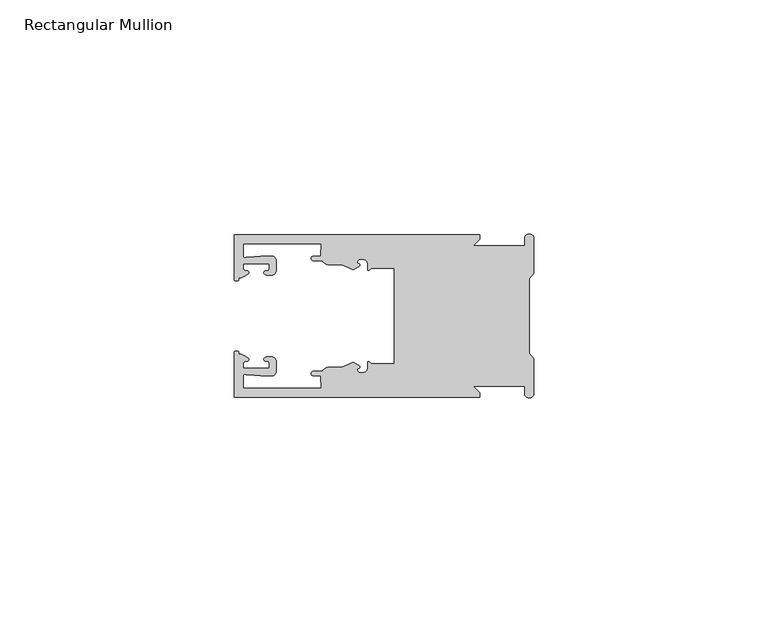
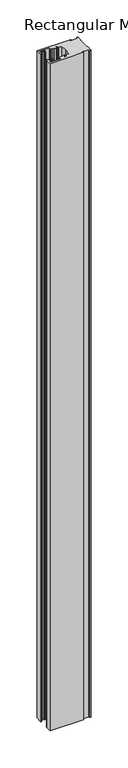
"""IFC4 building model written with IfcOpenShell, lengths in millimetres: member geometry, Rectangular Mullion."""

from ifc_helpers import new_model, si_unit, frame, origin, place, context, project, spatial, polyline, circle_curve, source, transform, mapped, element, save
from ifc_brep_helpers import plane_surface, cylinder_surface, revolved_surface, extruded_surface, spline_curve, advanced_brep


def rectangular_mullion_62764aca(model_context):
    return source(origin(), model_context, "Body", "AdvancedBrep", [
        advanced_brep(
        [(-11.5387897, 17.4000478, 0.0), (-64.0387868, 17.4000478, 0.0), (-64.0387868, 7.8350057, 0.0), (-63.2884687, 7.5412947, 0.0), (-62.4614154, 8.1921895, 0.0), (-62.0410649, 9.9426451, 0.0), (-62.0424168, 11.1926444, 0.0), (-56.54242, 11.1985924, 0.0), (-56.5410682, 9.9485931, 0.0), (-57.1085345, 8.7314723, 0.0), (-56.0397166, 8.6991345, 0.0), (-55.0407987, 9.7002154, 0.0), (-55.0430697, 11.8002142, 0.0), (-56.0446364, 12.7991315, 0.0), (-58.3650753, 12.7954945, 0.0), (-61.1340054, 12.5502269, 0.0), (-62.044093, 12.7426435, 0.0), (-62.0469668, 15.4000478, 0.0), (-45.4240312, 15.4000478, 0.0), (-45.5732135, 12.8000478, 0.0), (-47.0387868, 12.8000478, 0.0), (-47.0387868, 11.8000478, 0.0), (-45.2543363, 11.8000478, 0.0), (-43.6387868, 10.9000478, 0.0), (-41.0454034, 10.9000478, 0.0), (-38.5697136, 9.8718293, 0.0), (-37.5387868, 10.4670351, 0.0), (-37.6803436, 11.4201497, 0.0), (-37.0270763, 12.1583697, 0.0), (-36.2010815, 12.0127245, 0.0), (-35.54, 11.2248783, 0.0), (-35.54, 10.0, 0.0), (-34.7705791, 10.25, 0.0), (-29.79, 10.25, 0.0), (-29.79, 0.0, 0.0), (-29.79, -10.25, 0.0), (-34.7705791, -10.25, 0.0), (-35.54, -10.0, 0.0), (-35.54, -11.2248783, 0.0), (-36.2010815, -12.0127245, 0.0), (-37.0270763, -12.1583697, 0.0), (-37.6803436, -11.4201497, 0.0), (-37.5387868, -10.4670351, 0.0), (-38.5697136, -9.8718293, 0.0), (-41.0454034, -10.9000478, 0.0), (-43.6387868, -10.9000478, 0.0), (-45.2543363, -11.8000478, 0.0), (-47.0387868, -11.8000478, 0.0), (-47.0387868, -12.8000478, 0.0), (-45.5732135, -12.8000478, 0.0), (-45.4240312, -15.4000478, 0.0), (-62.0469668, -15.4000478, 0.0), (-62.044093, -12.7426435, 0.0), (-61.1340054, -12.5502269, 0.0), (-58.3650753, -12.7954945, 0.0), (-56.0446364, -12.7991314, 0.0), (-55.0430697, -11.8002142, 0.0), (-55.0407987, -9.7002154, 0.0), (-56.0397166, -8.6991345, 0.0), (-57.1085345, -8.7314723, 0.0), (-56.5410682, -9.9485931, 0.0), (-56.54242, -11.1985924, 0.0), (-62.0424168, -11.1926444, 0.0), (-62.0410649, -9.9426451, 0.0), (-62.4614154, -8.1921895, 0.0), (-63.2884687, -7.5412947, 0.0), (-64.0387868, -7.8350057, 0.0), (-64.0387868, -17.4000478, 0.0), (-11.5387897, -17.4000478, 0.0), (-11.5387897, -16.4000449, 0.0), (-12.9388346, -15.0, 0.0), (-2.0, -15.0, 0.0), (-2.0, -16.5, 0.0), (0.0, -16.5, 0.0), (0.0, -9.1160254, 0.0), (-1.0, -7.9613249, 0.0), (-1.0, 0.0, 0.0), (-1.0, 7.9613249, 0.0), (0.0, 9.1160254, 0.0), (0.0, 16.5, 0.0), (-2.0, 16.5, 0.0), (-2.0, 15.0, 0.0), (-12.9388346, 15.0, 0.0), (-11.5387897, 16.4000449, 0.0), (-11.5387897, 17.4000478, -1096.6800002), (-11.5387897, 16.4000449, -1096.6800002), (-12.9388346, 15.0, -1096.6800002), (-2.0, 15.0, -1096.6800002), (-2.0, 16.5, -1096.6800002), (0.0, 16.5, -1096.6800002), (0.0, 9.1160254, -1096.6800002), (-1.0, 7.9613249, -1096.6800002), (-1.0, 0.0, -1096.6800002), (-1.0, -7.9613249, -1096.6800002), (0.0, -9.1160254, -1096.6800002), (0.0, -16.5, -1096.6800002), (-2.0, -16.5, -1096.6800002), (-2.0, -15.0, -1096.6800002), (-12.9388346, -15.0, -1096.6800002), (-11.5387897, -16.4000449, -1096.6800002), (-11.5387897, -17.4000478, -1096.6800002), (-64.0387868, -17.4000478, -1096.6800002), (-64.0387868, -7.8350057, -1096.6800002), (-63.2884687, -7.5412947, -1096.6800002), (-62.4614154, -8.1921895, -1096.6800002), (-62.0410649, -9.9426451, -1096.6800002), (-62.0424168, -11.1926444, -1096.6800002), (-56.54242, -11.1985924, -1096.6800002), (-56.5410682, -9.9485931, -1096.6800002), (-57.1085345, -8.7314723, -1096.6800002), (-56.0397166, -8.6991345, -1096.6800002), (-55.0407987, -9.7002154, -1096.6800002), (-55.0430697, -11.8002142, -1096.6800002), (-56.0446364, -12.7991315, -1096.6800002), (-58.3650753, -12.7954945, -1096.6800002), (-61.1340054, -12.5502269, -1096.6800002), (-62.044093, -12.7426435, -1096.6800002), (-62.0469668, -15.4000478, -1096.6800002), (-45.4240312, -15.4000478, -1096.6800002), (-45.5732135, -12.8000478, -1096.6800002), (-47.0387868, -12.8000478, -1096.6800002), (-47.0387868, -11.8000478, -1096.6800002), (-45.2543363, -11.8000478, -1096.6800002), (-43.6387868, -10.9000478, -1096.6800002), (-41.0454034, -10.9000478, -1096.6800002), (-38.5697136, -9.8718293, -1096.6800002), (-37.5387868, -10.4670351, -1096.6800002), (-37.6803436, -11.4201497, -1096.6800002), (-37.0270763, -12.1583697, -1096.6800002), (-36.2010815, -12.0127245, -1096.6800002), (-35.54, -11.2248783, -1096.6800002), (-35.54, -10.0, -1096.6800002), (-34.7705791, -10.25, -1096.6800002), (-29.79, -10.25, -1096.6800002), (-29.79, 0.0, -1096.6800002), (-29.79, 10.25, -1096.6800002), (-34.7705791, 10.25, -1096.6800002), (-35.54, 10.0, -1096.6800002), (-35.54, 11.2248783, -1096.6800002), (-36.2010815, 12.0127245, -1096.6800002), (-37.0270763, 12.1583697, -1096.6800002), (-37.6803436, 11.4201497, -1096.6800002), (-37.5387868, 10.4670351, -1096.6800002), (-38.5697136, 9.8718293, -1096.6800002), (-41.0454034, 10.9000478, -1096.6800002), (-43.6387868, 10.9000478, -1096.6800002), (-45.2543363, 11.8000478, -1096.6800002), (-47.0387868, 11.8000478, -1096.6800002), (-47.0387868, 12.8000478, -1096.6800002), (-45.5732135, 12.8000478, -1096.6800002), (-45.4240312, 15.4000478, -1096.6800002), (-62.0469668, 15.4000478, -1096.6800002), (-62.044093, 12.7426435, -1096.6800002), (-61.1340054, 12.5502269, -1096.6800002), (-58.3650753, 12.7954945, -1096.6800002), (-56.0446364, 12.7991314, -1096.6800002), (-55.0430697, 11.8002142, -1096.6800002), (-55.0407987, 9.7002154, -1096.6800002), (-56.0397166, 8.6991345, -1096.6800002), (-57.1085345, 8.7314723, -1096.6800002), (-56.5410682, 9.9485931, -1096.6800002), (-56.54242, 11.1985924, -1096.6800002), (-62.0424168, 11.1926444, -1096.6800002), (-62.0410649, 9.9426451, -1096.6800002), (-62.4614154, 8.1921895, -1096.6800002), (-63.2884687, 7.5412947, -1096.6800002), (-64.0387868, 7.8350057, -1096.6800002), (-64.0387868, 17.4000478, -1096.6800002)],
        [
            (0, 1),
            (1, 2),
            (2, 3, spline_curve(3, [(-64.0387868, 7.8350057, 0.0), (-64.038491377, 7.561831774, 0.0), (-63.788385325, 7.463928087, 0.0), (-63.2884687, 7.5412947, 0.0)], [4, 4], [0.0, 0.0019169337574178654])),
            (3, 4, spline_curve(3, [(-63.2884687, 7.5412947, 0.0), (-63.057760917, 7.582232011, 0.0), (-63.018445067, 7.725390894, 0.0), (-63.019925494, 8.056436881, 0.0), (-63.103444208, 8.236386866, 0.0), (-62.4614154, 8.1921895, 0.0)], [4, 2, 4], [0.0, 0.0010199524164107188, 0.0024874514725970356])),
            (4, 5, spline_curve(3, [(-62.4614154, 8.1921895, 0.0), (-60.988497673, 8.880962536, 0.0), (-60.794045122, 9.192776957, 0.0), (-60.949808078, 9.57023562, 0.0), (-61.145214014, 9.682771697, 0.0), (-61.665835706, 9.714019003, 0.0), (-61.965242574, 9.660891484, 0.0), (-62.0410649, 9.9426451, 0.0)], [4, 2, 2, 4], [0.0, 0.003269869179570428, 0.005490050486237203, 0.0073545767114364426])),
            (5, 6),
            (6, 7),
            (7, 8),
            (8, 9, spline_curve(3, [(-56.5410682, 9.9485931, 0.0), (-56.634838635, 9.597117104, 0.0), (-56.904956774, 9.698238818, 0.0), (-57.324171444, 9.731086209, 0.0), (-57.45969165, 9.646199885, 0.0), (-57.729003352, 9.346016011, 0.0), (-57.859492582, 9.113082158, 0.0), (-57.1085345, 8.7314723, 0.0)], [4, 2, 2, 4], [0.0, 0.001593963049934732, 0.0033360256320283306, 0.005339140673503943])),
            (9, 10),
            (10, 11, circle_curve(frame((-56.0407981, 9.699134, 0.0), z_axis=(0.0, 0.0, 1.0), x_axis=(0.0010814451158627505, -0.9999994152380598, 0.0)), 1.0)),
            (11, 12),
            (12, 13, circle_curve(frame((-56.0430691, 11.7991327, 0.0), z_axis=(0.0, 0.0, 1.0), x_axis=(0.0010814451158627505, -0.9999994152380598, 0.0)), 1.0)),
            (13, 14),
            (14, 15),
            (15, 16, spline_curve(3, [(-61.1340054, 12.5502269, 0.0), (-61.605485428, 12.508463911, 0.0), (-61.992111419, 12.303164326, 0.0), (-62.044093, 12.7426435, 0.0)], [4, 4], [0.0, 0.0014803385355886016])),
            (16, 17),
            (17, 18),
            (18, 19),
            (19, 20),
            (20, 21, circle_curve(frame((-47.0387868, 12.3000478, 0.0), z_axis=(0.0, 0.0, 1.0), x_axis=(0.0, -1.0, 0.0)), 0.5)),
            (21, 22),
            (22, 23, circle_curve(frame((-43.6387868, 12.8000478, 0.0), z_axis=(0.0, 0.0, 1.0), x_axis=(0.0, -1.0, 0.0)), 1.9)),
            (23, 24),
            (24, 25),
            (25, 26),
            (26, 27, spline_curve(3, [(-37.5387868, 10.4670351, 0.0), (-36.973919853, 10.833863985, 0.0), (-37.198159645, 11.135696286, 0.0), (-37.587892011, 11.260246073, 0.0), (-37.754584192, 11.180452419, 0.0), (-37.6803436, 11.4201497, 0.0)], [4, 2, 4], [0.0, 0.0019283703160353726, 0.003394584635652914])),
            (27, 28, circle_curve(frame((-37.0434863, 11.5147359, 0.0), z_axis=(0.0, 0.0, -1.0), x_axis=(0.0, -1.0, 0.0)), 0.643843)),
            (28, 29),
            (29, 30, circle_curve(frame((-36.34, 11.2248783, 0.0), z_axis=(0.0, 0.0, -1.0), x_axis=(0.0, -1.0, 0.0)), 0.8)),
            (30, 31),
            (31, 32, spline_curve(3, [(-35.54, 10.0, 0.0), (-35.440000238, 9.598293201, 0.0), (-35.183526594, 9.681626535, 0.0), (-34.7705791, 10.25, 0.0)], [4, 4], [0.0, 0.0027473296990141553])),
            (32, 33),
            (33, 34),
            (34, 35),
            (35, 36),
            (36, 37, spline_curve(3, [(-34.7705791, -10.25, 0.0), (-35.183526594, -9.681626535, 0.0), (-35.440000238, -9.598293201, 0.0), (-35.54, -10.0, 0.0)], [4, 4], [0.0, 0.0027473296990141553])),
            (37, 38),
            (38, 39, circle_curve(frame((-36.34, -11.2248783, 0.0), z_axis=(0.0, 0.0, -1.0), x_axis=(0.0, 1.0, 0.0)), 0.8)),
            (39, 40),
            (40, 41, circle_curve(frame((-37.0434863, -11.5147359, 0.0), z_axis=(0.0, 0.0, -1.0), x_axis=(0.0, 1.0, 0.0)), 0.643843)),
            (41, 42, spline_curve(3, [(-37.6803436, -11.4201497, 0.0), (-37.754584192, -11.180452419, 0.0), (-37.587892011, -11.260246073, 0.0), (-37.198159645, -11.135696286, 0.0), (-36.973919853, -10.833863985, 0.0), (-37.5387868, -10.4670351, 0.0)], [4, 2, 4], [0.0, 0.0014662143196175414, 0.003394584635652914])),
            (42, 43),
            (43, 44),
            (44, 45),
            (45, 46, circle_curve(frame((-43.6387868, -12.8000478, 0.0), z_axis=(0.0, 0.0, 1.0), x_axis=(0.0, 1.0, 0.0)), 1.9)),
            (46, 47),
            (47, 48, circle_curve(frame((-47.0387868, -12.3000478, 0.0), z_axis=(0.0, 0.0, 1.0), x_axis=(0.0, 1.0, 0.0)), 0.5)),
            (48, 49),
            (49, 50),
            (50, 51),
            (51, 52),
            (52, 53, spline_curve(3, [(-62.044093, -12.7426435, 0.0), (-61.992111419, -12.303164326, 0.0), (-61.605485428, -12.508463911, 0.0), (-61.1340054, -12.5502269, 0.0)], [4, 4], [0.0, 0.0014803385355886016])),
            (53, 54),
            (54, 55),
            (55, 56, circle_curve(frame((-56.0430691, -11.7991327, 0.0), z_axis=(0.0, 0.0, 1.0), x_axis=(0.001081445115855867, 0.9999994152380598, 0.0)), 1.0)),
            (56, 57),
            (57, 58, circle_curve(frame((-56.0407981, -9.699134, 0.0), z_axis=(0.0, 0.0, 1.0), x_axis=(0.001081445115855867, 0.9999994152380598, 0.0)), 1.0)),
            (58, 59),
            (59, 60, spline_curve(3, [(-57.1085345, -8.7314723, 0.0), (-57.859492582, -9.113082158, 0.0), (-57.729003352, -9.346016011, 0.0), (-57.45969165, -9.646199885, 0.0), (-57.324171444, -9.731086209, 0.0), (-56.904956774, -9.698238818, 0.0), (-56.634838635, -9.597117104, 0.0), (-56.5410682, -9.9485931, 0.0)], [4, 2, 2, 4], [0.0, 0.002003115041475612, 0.0037451776235692107, 0.005339140673503943])),
            (60, 61),
            (61, 62),
            (62, 63),
            (63, 64, spline_curve(3, [(-62.0410649, -9.9426451, 0.0), (-61.965242574, -9.660891484, 0.0), (-61.665835706, -9.714019003, 0.0), (-61.145214014, -9.682771697, 0.0), (-60.949808078, -9.57023562, 0.0), (-60.794045122, -9.192776957, 0.0), (-60.988497673, -8.880962536, 0.0), (-62.4614154, -8.1921895, 0.0)], [4, 2, 2, 4], [0.0, 0.0018645262251992395, 0.004084707531866015, 0.0073545767114364426])),
            (64, 65, spline_curve(3, [(-62.4614154, -8.1921895, 0.0), (-63.103444208, -8.236386866, 0.0), (-63.019925494, -8.056436881, 0.0), (-63.018445067, -7.725390894, 0.0), (-63.057760917, -7.582232011, 0.0), (-63.2884687, -7.5412947, 0.0)], [4, 2, 4], [0.0, 0.0014674990561863168, 0.0024874514725970356])),
            (65, 66, spline_curve(3, [(-63.2884687, -7.5412947, 0.0), (-63.788385325, -7.463928087, 0.0), (-64.038491377, -7.561831774, 0.0), (-64.0387868, -7.8350057, 0.0)], [4, 4], [0.0, 0.0019169337574178654])),
            (66, 67),
            (67, 68),
            (68, 69),
            (69, 70),
            (70, 71),
            (71, 72),
            (72, 73, circle_curve(frame((-1.0, -16.5, 0.0), z_axis=(0.0, 0.0, 1.0), x_axis=(0.0, 1.0, 0.0)), 1.0)),
            (73, 74),
            (74, 75),
            (75, 76),
            (76, 77),
            (77, 78),
            (78, 79),
            (79, 80, circle_curve(frame((-1.0, 16.5, 0.0), z_axis=(0.0, 0.0, 1.0), x_axis=(0.0, -1.0, 0.0)), 1.0)),
            (80, 81),
            (81, 82),
            (82, 83),
            (83, 0),
            (84, 85),
            (85, 86),
            (86, 87),
            (87, 88),
            (88, 89, circle_curve(frame((-1.0, 16.5, -1096.6800002), z_axis=(0.0, 0.0, -1.0), x_axis=(0.0, -1.0, 0.0)), 1.0)),
            (89, 90),
            (90, 91),
            (91, 92),
            (92, 93),
            (93, 94),
            (94, 95),
            (95, 96, circle_curve(frame((-1.0, -16.5, -1096.6800002), z_axis=(0.0, 0.0, -1.0), x_axis=(0.0, 1.0, 0.0)), 1.0)),
            (96, 97),
            (97, 98),
            (98, 99),
            (99, 100),
            (100, 101),
            (101, 102),
            (102, 103, spline_curve(3, [(-64.0387868, -7.8350057, -1096.6800002), (-64.038491377, -7.561831774, -1096.6800002), (-63.788385325, -7.463928087, -1096.6800002), (-63.2884687, -7.5412947, -1096.6800002)], [4, 4], [0.0, 0.0019169337574178654])),
            (103, 104, spline_curve(3, [(-63.2884687, -7.5412947, -1096.6800002), (-63.057760917, -7.582232011, -1096.6800002), (-63.018445067, -7.725390894, -1096.6800002), (-63.019925494, -8.056436881, -1096.6800002), (-63.103444208, -8.236386866, -1096.6800002), (-62.4614154, -8.1921895, -1096.6800002)], [4, 2, 4], [0.0, 0.0010199524164107188, 0.0024874514725970356])),
            (104, 105, spline_curve(3, [(-62.4614154, -8.1921895, -1096.6800002), (-60.988497673, -8.880962536, -1096.6800002), (-60.794045122, -9.192776957, -1096.6800002), (-60.949808078, -9.57023562, -1096.6800002), (-61.145214014, -9.682771697, -1096.6800002), (-61.665835706, -9.714019003, -1096.6800002), (-61.965242574, -9.660891484, -1096.6800002), (-62.0410649, -9.9426451, -1096.6800002)], [4, 2, 2, 4], [0.0, 0.003269869179570428, 0.005490050486237203, 0.0073545767114364426])),
            (105, 106),
            (106, 107),
            (107, 108),
            (108, 109, spline_curve(3, [(-56.5410682, -9.9485931, -1096.6800002), (-56.634838635, -9.597117104, -1096.6800002), (-56.904956774, -9.698238818, -1096.6800002), (-57.324171444, -9.731086209, -1096.6800002), (-57.45969165, -9.646199885, -1096.6800002), (-57.729003352, -9.346016011, -1096.6800002), (-57.859492582, -9.113082158, -1096.6800002), (-57.1085345, -8.7314723, -1096.6800002)], [4, 2, 2, 4], [0.0, 0.001593963049934732, 0.0033360256320283306, 0.005339140673503943])),
            (109, 110),
            (110, 111, circle_curve(frame((-56.0407981, -9.699134, -1096.6800002), z_axis=(0.0, 0.0, -1.0), x_axis=(0.001081445115855867, 0.9999994152380598, 0.0)), 1.0)),
            (111, 112),
            (112, 113, circle_curve(frame((-56.0430691, -11.7991327, -1096.6800002), z_axis=(0.0, 0.0, -1.0), x_axis=(0.001081445115855867, 0.9999994152380598, 0.0)), 1.0)),
            (113, 114),
            (114, 115),
            (115, 116, spline_curve(3, [(-61.1340054, -12.5502269, -1096.6800002), (-61.605485428, -12.508463911, -1096.6800002), (-61.992111419, -12.303164326, -1096.6800002), (-62.044093, -12.7426435, -1096.6800002)], [4, 4], [0.0, 0.0014803385355886016])),
            (116, 117),
            (117, 118),
            (118, 119),
            (119, 120),
            (120, 121, circle_curve(frame((-47.0387868, -12.3000478, -1096.6800002), z_axis=(0.0, 0.0, -1.0), x_axis=(0.0, 1.0, 0.0)), 0.5)),
            (121, 122),
            (122, 123, circle_curve(frame((-43.6387868, -12.8000478, -1096.6800002), z_axis=(0.0, 0.0, -1.0), x_axis=(0.0, 1.0, 0.0)), 1.9)),
            (123, 124),
            (124, 125),
            (125, 126),
            (126, 127, spline_curve(3, [(-37.5387868, -10.4670351, -1096.6800002), (-36.973919853, -10.833863985, -1096.6800002), (-37.198159645, -11.135696286, -1096.6800002), (-37.587892011, -11.260246073, -1096.6800002), (-37.754584192, -11.180452419, -1096.6800002), (-37.6803436, -11.4201497, -1096.6800002)], [4, 2, 4], [0.0, 0.0019283703160353726, 0.003394584635652914])),
            (127, 128, circle_curve(frame((-37.0434863, -11.5147359, -1096.6800002), z_axis=(0.0, 0.0, 1.0), x_axis=(0.0, 1.0, 0.0)), 0.643843)),
            (128, 129),
            (129, 130, circle_curve(frame((-36.34, -11.2248783, -1096.6800002), z_axis=(0.0, 0.0, 1.0), x_axis=(0.0, 1.0, 0.0)), 0.8)),
            (130, 131),
            (131, 132, spline_curve(3, [(-35.54, -10.0, -1096.6800002), (-35.440000238, -9.598293201, -1096.6800002), (-35.183526594, -9.681626535, -1096.6800002), (-34.7705791, -10.25, -1096.6800002)], [4, 4], [0.0, 0.0027473296990141553])),
            (132, 133),
            (133, 134),
            (134, 135),
            (135, 136),
            (136, 137, spline_curve(3, [(-34.7705791, 10.25, -1096.6800002), (-35.183526594, 9.681626535, -1096.6800002), (-35.440000238, 9.598293201, -1096.6800002), (-35.54, 10.0, -1096.6800002)], [4, 4], [0.0, 0.0027473296990141553])),
            (137, 138),
            (138, 139, circle_curve(frame((-36.34, 11.2248783, -1096.6800002), z_axis=(0.0, 0.0, 1.0), x_axis=(0.0, -1.0, 0.0)), 0.8)),
            (139, 140),
            (140, 141, circle_curve(frame((-37.0434863, 11.5147359, -1096.6800002), z_axis=(0.0, 0.0, 1.0), x_axis=(0.0, -1.0, 0.0)), 0.643843)),
            (141, 142, spline_curve(3, [(-37.6803436, 11.4201497, -1096.6800002), (-37.754584192, 11.180452419, -1096.6800002), (-37.587892011, 11.260246073, -1096.6800002), (-37.198159645, 11.135696286, -1096.6800002), (-36.973919853, 10.833863985, -1096.6800002), (-37.5387868, 10.4670351, -1096.6800002)], [4, 2, 4], [0.0, 0.0014662143196175414, 0.003394584635652914])),
            (142, 143),
            (143, 144),
            (144, 145),
            (145, 146, circle_curve(frame((-43.6387868, 12.8000478, -1096.6800002), z_axis=(0.0, 0.0, -1.0), x_axis=(0.0, -1.0, 0.0)), 1.9)),
            (146, 147),
            (147, 148, circle_curve(frame((-47.0387868, 12.3000478, -1096.6800002), z_axis=(0.0, 0.0, -1.0), x_axis=(0.0, -1.0, 0.0)), 0.5)),
            (148, 149),
            (149, 150),
            (150, 151),
            (151, 152),
            (152, 153, spline_curve(3, [(-62.044093, 12.7426435, -1096.6800002), (-61.992111419, 12.303164326, -1096.6800002), (-61.605485428, 12.508463911, -1096.6800002), (-61.1340054, 12.5502269, -1096.6800002)], [4, 4], [0.0, 0.0014803385355886016])),
            (153, 154),
            (154, 155),
            (155, 156, circle_curve(frame((-56.0430691, 11.7991327, -1096.6800002), z_axis=(0.0, 0.0, -1.0), x_axis=(0.0010814451158627505, -0.9999994152380598, 0.0)), 1.0)),
            (156, 157),
            (157, 158, circle_curve(frame((-56.0407981, 9.699134, -1096.6800002), z_axis=(0.0, 0.0, -1.0), x_axis=(0.0010814451158627505, -0.9999994152380598, 0.0)), 1.0)),
            (158, 159),
            (159, 160, spline_curve(3, [(-57.1085345, 8.7314723, -1096.6800002), (-57.859492582, 9.113082158, -1096.6800002), (-57.729003352, 9.346016011, -1096.6800002), (-57.45969165, 9.646199885, -1096.6800002), (-57.324171444, 9.731086209, -1096.6800002), (-56.904956774, 9.698238818, -1096.6800002), (-56.634838635, 9.597117104, -1096.6800002), (-56.5410682, 9.9485931, -1096.6800002)], [4, 2, 2, 4], [0.0, 0.002003115041475612, 0.0037451776235692107, 0.005339140673503943])),
            (160, 161),
            (161, 162),
            (162, 163),
            (163, 164, spline_curve(3, [(-62.0410649, 9.9426451, -1096.6800002), (-61.965242574, 9.660891484, -1096.6800002), (-61.665835706, 9.714019003, -1096.6800002), (-61.145214014, 9.682771697, -1096.6800002), (-60.949808078, 9.57023562, -1096.6800002), (-60.794045122, 9.192776957, -1096.6800002), (-60.988497673, 8.880962536, -1096.6800002), (-62.4614154, 8.1921895, -1096.6800002)], [4, 2, 2, 4], [0.0, 0.0018645262251992395, 0.004084707531866015, 0.0073545767114364426])),
            (164, 165, spline_curve(3, [(-62.4614154, 8.1921895, -1096.6800002), (-63.103444208, 8.236386866, -1096.6800002), (-63.019925494, 8.056436881, -1096.6800002), (-63.018445067, 7.725390894, -1096.6800002), (-63.057760917, 7.582232011, -1096.6800002), (-63.2884687, 7.5412947, -1096.6800002)], [4, 2, 4], [0.0, 0.0014674990561863168, 0.0024874514725970356])),
            (165, 166, spline_curve(3, [(-63.2884687, 7.5412947, -1096.6800002), (-63.788385325, 7.463928087, -1096.6800002), (-64.038491377, 7.561831774, -1096.6800002), (-64.0387868, 7.8350057, -1096.6800002)], [4, 4], [0.0, 0.0019169337574178654])),
            (166, 167),
            (167, 84),
            (0, 84),
            (167, 1),
            (166, 2),
            (165, 3),
            (164, 4),
            (163, 5),
            (162, 6),
            (161, 7),
            (160, 8),
            (159, 9),
            (158, 10),
            (157, 11),
            (156, 12),
            (155, 13),
            (154, 14),
            (153, 15),
            (152, 16),
            (151, 17),
            (150, 18),
            (149, 19),
            (148, 20),
            (147, 21),
            (146, 22),
            (145, 23),
            (144, 24),
            (143, 25),
            (142, 26),
            (141, 27),
            (140, 28),
            (139, 29),
            (138, 30),
            (137, 31),
            (136, 32),
            (135, 33),
            (134, 34),
            (133, 35),
            (132, 36),
            (131, 37),
            (130, 38),
            (129, 39),
            (128, 40),
            (127, 41),
            (126, 42),
            (125, 43),
            (124, 44),
            (123, 45),
            (122, 46),
            (121, 47),
            (120, 48),
            (119, 49),
            (118, 50),
            (117, 51),
            (116, 52),
            (115, 53),
            (114, 54),
            (113, 55),
            (112, 56),
            (111, 57),
            (110, 58),
            (109, 59),
            (108, 60),
            (107, 61),
            (106, 62),
            (105, 63),
            (104, 64),
            (103, 65),
            (102, 66),
            (101, 67),
            (100, 68),
            (99, 69),
            (98, 70),
            (97, 71),
            (96, 72),
            (95, 73),
            (94, 74),
            (93, 75),
            (92, 76),
            (91, 77),
            (90, 78),
            (89, 79),
            (88, 80),
            (87, 81),
            (86, 82),
            (85, 83),
        ],
        [
            plane_surface(frame((0.0, -66.3605898, 0.0), z_axis=(0.0, 0.0, 1.0), x_axis=(-1.0, 0.0, 0.0))),
            plane_surface(frame((0.0, -66.3605898, -1096.6800002), z_axis=(0.0, 0.0, -1.0), x_axis=(-1.0, 0.0, 0.0))),
            plane_surface(frame((-11.5387897, 17.4000478, 0.0), z_axis=(0.0, 1.0, 0.0), x_axis=(0.0, 0.0, -1.0))),
            plane_surface(frame((-64.0387868, 17.4000478, 0.0), z_axis=(-1.0, 0.0, 0.0), x_axis=(0.0, 0.0, -1.0))),
            extruded_surface(spline_curve(3, [(-64.0387868, 7.8350057, -1096.6800002), (-64.038491377, 7.561831774, -1096.6800002), (-63.788385325, 7.463928087, -1096.6800002), (-63.2884687, 7.5412947, -1096.6800002)], [4, 4], [0.0, 0.0019169337574178654]), (0.0, 0.0, 1096.6800002), 1096.6800002),
            extruded_surface(spline_curve(3, [(-63.2884687, 7.5412947, -1096.6800002), (-63.057760917, 7.582232011, -1096.6800002), (-63.018445067, 7.725390894, -1096.6800002), (-63.019925494, 8.056436881, -1096.6800002), (-63.103444208, 8.236386866, -1096.6800002), (-62.4614154, 8.1921895, -1096.6800002)], [4, 2, 4], [0.0, 0.0010199524164107188, 0.0024874514725970356]), (0.0, 0.0, 1096.6800002), 1096.6800002),
            extruded_surface(spline_curve(3, [(-62.4614154, 8.1921895, -1096.6800002), (-60.988497673, 8.880962536, -1096.6800002), (-60.794045122, 9.192776957, -1096.6800002), (-60.949808078, 9.57023562, -1096.6800002), (-61.145214014, 9.682771697, -1096.6800002), (-61.665835706, 9.714019003, -1096.6800002), (-61.965242574, 9.660891484, -1096.6800002), (-62.0410649, 9.9426451, -1096.6800002)], [4, 2, 2, 4], [0.0, 0.003269869179570428, 0.005490050486237203, 0.0073545767114364426]), (0.0, 0.0, 1096.6800002), 1096.6800002),
            plane_surface(frame((-62.0410649, 9.9426451, 0.0), z_axis=(0.9999994152380598, 0.0010814451158593665, 0.0), x_axis=(0.0, 0.0, -1.0))),
            plane_surface(frame((-62.0424168, 11.1926444, 0.0), z_axis=(0.0010814451158611391, -0.9999994152380598, 0.0), x_axis=(0.0, 0.0, -1.0))),
            plane_surface(frame((-56.54242, 11.1985924, 0.0), z_axis=(-0.9999994152380598, -0.0010814451158584516, 0.0), x_axis=(0.0, 0.0, -1.0))),
            extruded_surface(spline_curve(3, [(-56.5410682, 9.9485931, -1096.6800002), (-56.634838635, 9.597117104, -1096.6800002), (-56.904956774, 9.698238818, -1096.6800002), (-57.324171444, 9.731086209, -1096.6800002), (-57.45969165, 9.646199885, -1096.6800002), (-57.729003352, 9.346016011, -1096.6800002), (-57.859492582, 9.113082158, -1096.6800002), (-57.1085345, 8.7314723, -1096.6800002)], [4, 2, 2, 4], [0.0, 0.001593963049934732, 0.0033360256320283306, 0.005339140673503943]), (0.0, 0.0, 1096.6800002), 1096.6800002),
            plane_surface(frame((-57.1085345, 8.7314723, 0.0), z_axis=(-0.030241832452869922, -0.9995426111826813, 0.0), x_axis=(0.0, 0.0, -1.0))),
            cylinder_surface(frame((-56.0407981, 9.699134, 0.0), z_axis=(0.0, 0.0, 1.0000000000000002), x_axis=(0.0010814451158627505, -0.9999994152380598, 0.0)), 1.0),
            plane_surface(frame((-55.0407987, 9.7002154, 0.0), z_axis=(0.9999994152380598, 0.001081445115858722, 0.0), x_axis=(0.0, 0.0, -1.0))),
            cylinder_surface(frame((-56.0430691, 11.7991327, 0.0), z_axis=(0.0, 0.0, 1.0000000000000002), x_axis=(0.0010814451158627505, -0.9999994152380598, 0.0)), 1.0),
            plane_surface(frame((-56.0446364, 12.7991314, 0.0), z_axis=(-0.0015673183327907744, 0.9999987717558677, 0.0), x_axis=(0.0, 0.0, -1.0))),
            plane_surface(frame((-58.3650753, 12.7954945, 0.0), z_axis=(-0.08823302167299531, 0.9960998614026874, 0.0), x_axis=(0.0, 0.0, -1.0))),
            extruded_surface(spline_curve(3, [(-61.1340054, 12.5502269, -1096.6800002), (-61.605485428, 12.508463911, -1096.6800002), (-61.992111419, 12.303164326, -1096.6800002), (-62.044093, 12.7426435, -1096.6800002)], [4, 4], [0.0, 0.0014803385355886016]), (0.0, 0.0, 1096.6800002), 1096.6800002),
            plane_surface(frame((-62.044093, 12.7426435, 0.0), z_axis=(0.9999994152380598, 0.0010814451158597813, 0.0), x_axis=(0.0, 0.0, -1.0))),
            plane_surface(frame((-62.0469668, 15.4000478, 0.0), z_axis=(0.0, -1.0, 0.0), x_axis=(0.0, 0.0, -1.0))),
            plane_surface(frame((-45.4240312, 15.4000478, 0.0), z_axis=(-0.9983579461523547, 0.05728360458675776, 0.0), x_axis=(0.0, 0.0, -1.0))),
            plane_surface(frame((-45.5732135, 12.8000478, 0.0), z_axis=(0.0, 1.0, 0.0), x_axis=(0.0, 0.0, -1.0))),
            cylinder_surface(frame((-47.0387868, 12.3000478, 0.0), z_axis=(0.0, 0.0, 1.0), x_axis=(0.0, -1.0, 0.0)), 0.5),
            plane_surface(frame((-47.0387868, 11.8000478, 0.0), z_axis=(0.0, -1.0, 0.0), x_axis=(0.0, 0.0, -1.0))),
            cylinder_surface(frame((-43.6387868, 12.8000478, 0.0), z_axis=(0.0, 0.0, 1.0), x_axis=(0.0, -1.0, 0.0)), 1.9),
            plane_surface(frame((-43.6387868, 10.9000478, 0.0), z_axis=(0.0, -1.0, 0.0), x_axis=(0.0, 0.0, -1.0))),
            plane_surface(frame((-41.0454034, 10.9000478, 0.0), z_axis=(-0.3835602140750569, -0.9235158700199453, 0.0), x_axis=(0.0, 0.0, -1.0))),
            plane_surface(frame((-38.5697136, 9.8718293, 0.0), z_axis=(0.5000000000252295, -0.8660254037698725, 0.0), x_axis=(0.0, 0.0, -1.0))),
            extruded_surface(spline_curve(3, [(-37.5387868, 10.4670351, -1096.6800002), (-36.973919853, 10.833863985, -1096.6800002), (-37.198159645, 11.135696286, -1096.6800002), (-37.587892011, 11.260246073, -1096.6800002), (-37.754584192, 11.180452419, -1096.6800002), (-37.6803436, 11.4201497, -1096.6800002)], [4, 2, 4], [0.0, 0.0019283703160353726, 0.003394584635652914]), (0.0, 0.0, 1096.6800002), 1096.6800002),
            revolved_surface(polyline([(-37.0434863, 10.8708929, -1096.6800002), (-37.0434863, 10.8708929, 0.0)]), (-37.0434863, 11.5147359, 0.0), (0.0, 0.0, -1.0)),
            plane_surface(frame((-37.0270763, 12.1583697, 0.0), z_axis=(-0.17364817767050408, -0.984807753011578, 0.0), x_axis=(0.0, 0.0, -1.0))),
            revolved_surface(polyline([(-36.34, 10.4248783, -1096.6800002), (-36.34, 10.4248783, 0.0)]), (-36.34, 11.2248783, 0.0), (0.0, 0.0, -1.0)),
            plane_surface(frame((-35.54, 11.2248783, 0.0), z_axis=(-1.0, 0.0, 0.0), x_axis=(0.0, 0.0, -1.0))),
            extruded_surface(spline_curve(3, [(-35.54, 10.0, -1096.6800002), (-35.440000238, 9.598293201, -1096.6800002), (-35.183526594, 9.681626535, -1096.6800002), (-34.7705791, 10.25, -1096.6800002)], [4, 4], [0.0, 0.0027473296990141553]), (0.0, 0.0, 1096.6800002), 1096.6800002),
            plane_surface(frame((-34.7705791, 10.25, 0.0), z_axis=(0.0, -1.0, 0.0), x_axis=(0.0, 0.0, -1.0))),
            plane_surface(frame((-29.79, 10.25, 0.0), z_axis=(-1.0, 0.0, 0.0), x_axis=(0.0, 0.0, -1.0))),
            plane_surface(frame((-29.79, 0.0, 0.0), z_axis=(-1.0, 0.0, 0.0), x_axis=(0.0, 0.0, -1.0))),
            plane_surface(frame((-29.79, -10.25, 0.0), z_axis=(0.0, 1.0, 0.0), x_axis=(0.0, 0.0, -1.0))),
            extruded_surface(spline_curve(3, [(-34.7705791, -10.25, -1096.6800002), (-35.183526594, -9.681626535, -1096.6800002), (-35.440000238, -9.598293201, -1096.6800002), (-35.54, -10.0, -1096.6800002)], [4, 4], [0.0, 0.0027473296990141553]), (0.0, 0.0, 1096.6800002), 1096.6800002),
            plane_surface(frame((-35.54, -10.0, 0.0), z_axis=(-1.0, 0.0, 0.0), x_axis=(0.0, 0.0, -1.0))),
            revolved_surface(polyline([(-36.34, -10.4248783, -1096.6800002), (-36.34, -10.4248783, 0.0)]), (-36.34, -11.2248783, 0.0), (0.0, 0.0, -1.0)),
            plane_surface(frame((-36.2010815, -12.0127245, 0.0), z_axis=(-0.17364817767051083, 0.9848077530115767, 0.0), x_axis=(0.0, 0.0, -1.0))),
            revolved_surface(polyline([(-37.0434863, -10.8708929, -1096.6800002), (-37.0434863, -10.8708929, 0.0)]), (-37.0434863, -11.5147359, 0.0), (0.0, 0.0, -1.0)),
            extruded_surface(spline_curve(3, [(-37.6803436, -11.4201497, -1096.6800002), (-37.754584192, -11.180452419, -1096.6800002), (-37.587892011, -11.260246073, -1096.6800002), (-37.198159645, -11.135696286, -1096.6800002), (-36.973919853, -10.833863985, -1096.6800002), (-37.5387868, -10.4670351, -1096.6800002)], [4, 2, 4], [0.0, 0.0014662143196175414, 0.003394584635652914]), (0.0, 0.0, 1096.6800002), 1096.6800002),
            plane_surface(frame((-37.5387868, -10.4670351, 0.0), z_axis=(0.5000000000252234, 0.8660254037698759, 0.0), x_axis=(0.0, 0.0, -1.0))),
            plane_surface(frame((-38.5697136, -9.8718293, 0.0), z_axis=(-0.38356021407506324, 0.9235158700199426, 0.0), x_axis=(0.0, 0.0, -1.0))),
            plane_surface(frame((-41.0454034, -10.9000478, 0.0), z_axis=(0.0, 1.0, 0.0), x_axis=(0.0, 0.0, -1.0))),
            cylinder_surface(frame((-43.6387868, -12.8000478, 0.0), z_axis=(0.0, 0.0, 1.0), x_axis=(0.0, 1.0, 0.0)), 1.9),
            plane_surface(frame((-45.2543363, -11.8000478, 0.0), z_axis=(0.0, 1.0, 0.0), x_axis=(0.0, 0.0, -1.0))),
            cylinder_surface(frame((-47.0387868, -12.3000478, 0.0), z_axis=(0.0, 0.0, 1.0), x_axis=(0.0, 1.0, 0.0)), 0.5),
            plane_surface(frame((-47.0387868, -12.8000478, 0.0), z_axis=(0.0, -1.0, 0.0), x_axis=(0.0, 0.0, -1.0))),
            plane_surface(frame((-45.5732135, -12.8000478, 0.0), z_axis=(-0.9983579461523543, -0.05728360458676463, 0.0), x_axis=(0.0, 0.0, -1.0))),
            plane_surface(frame((-45.4240312, -15.4000478, 0.0), z_axis=(0.0, 1.0, 0.0), x_axis=(0.0, 0.0, -1.0))),
            plane_surface(frame((-62.0469668, -15.4000478, 0.0), z_axis=(0.9999994152380598, -0.001081445115852898, 0.0), x_axis=(0.0, 0.0, -1.0))),
            extruded_surface(spline_curve(3, [(-62.044093, -12.7426435, -1096.6800002), (-61.992111419, -12.303164326, -1096.6800002), (-61.605485428, -12.508463911, -1096.6800002), (-61.1340054, -12.5502269, -1096.6800002)], [4, 4], [0.0, 0.0014803385355886016]), (0.0, 0.0, 1096.6800002), 1096.6800002),
            plane_surface(frame((-61.1340054, -12.5502269, 0.0), z_axis=(-0.08823302167298844, -0.9960998614026879, 0.0), x_axis=(0.0, 0.0, -1.0))),
            plane_surface(frame((-58.3650753, -12.7954945, 0.0), z_axis=(-0.001567318332783891, -0.9999987717558677, 0.0), x_axis=(0.0, 0.0, -1.0))),
            cylinder_surface(frame((-56.0430691, -11.7991327, 0.0), z_axis=(0.0, 0.0, 1.0000000000000002), x_axis=(0.001081445115855867, 0.9999994152380598, 0.0)), 1.0),
            plane_surface(frame((-55.0430697, -11.8002142, 0.0), z_axis=(0.9999994152380598, -0.0010814451158518386, 0.0), x_axis=(0.0, 0.0, -1.0))),
            cylinder_surface(frame((-56.0407981, -9.699134, 0.0), z_axis=(0.0, 0.0, 1.0000000000000002), x_axis=(0.001081445115855867, 0.9999994152380598, 0.0)), 1.0),
            plane_surface(frame((-56.0397166, -8.6991345, 0.0), z_axis=(-0.030241832452876805, 0.9995426111826811, 0.0), x_axis=(0.0, 0.0, -1.0))),
            extruded_surface(spline_curve(3, [(-57.1085345, -8.7314723, -1096.6800002), (-57.859492582, -9.113082158, -1096.6800002), (-57.729003352, -9.346016011, -1096.6800002), (-57.45969165, -9.646199885, -1096.6800002), (-57.324171444, -9.731086209, -1096.6800002), (-56.904956774, -9.698238818, -1096.6800002), (-56.634838635, -9.597117104, -1096.6800002), (-56.5410682, -9.9485931, -1096.6800002)], [4, 2, 2, 4], [0.0, 0.002003115041475612, 0.0037451776235692107, 0.005339140673503943]), (0.0, 0.0, 1096.6800002), 1096.6800002),
            plane_surface(frame((-56.5410682, -9.9485931, 0.0), z_axis=(-0.9999994152380598, 0.0010814451158515682, 0.0), x_axis=(0.0, 0.0, -1.0))),
            plane_surface(frame((-56.54242, -11.1985924, 0.0), z_axis=(0.0010814451158542558, 0.9999994152380598, 0.0), x_axis=(0.0, 0.0, -1.0))),
            plane_surface(frame((-62.0424168, -11.1926444, 0.0), z_axis=(0.9999994152380598, -0.001081445115852483, 0.0), x_axis=(0.0, 0.0, -1.0))),
            extruded_surface(spline_curve(3, [(-62.0410649, -9.9426451, -1096.6800002), (-61.965242574, -9.660891484, -1096.6800002), (-61.665835706, -9.714019003, -1096.6800002), (-61.145214014, -9.682771697, -1096.6800002), (-60.949808078, -9.57023562, -1096.6800002), (-60.794045122, -9.192776957, -1096.6800002), (-60.988497673, -8.880962536, -1096.6800002), (-62.4614154, -8.1921895, -1096.6800002)], [4, 2, 2, 4], [0.0, 0.0018645262251992395, 0.004084707531866015, 0.0073545767114364426]), (0.0, 0.0, 1096.6800002), 1096.6800002),
            extruded_surface(spline_curve(3, [(-62.4614154, -8.1921895, -1096.6800002), (-63.103444208, -8.236386866, -1096.6800002), (-63.019925494, -8.056436881, -1096.6800002), (-63.018445067, -7.725390894, -1096.6800002), (-63.057760917, -7.582232011, -1096.6800002), (-63.2884687, -7.5412947, -1096.6800002)], [4, 2, 4], [0.0, 0.0014674990561863168, 0.0024874514725970356]), (0.0, 0.0, 1096.6800002), 1096.6800002),
            extruded_surface(spline_curve(3, [(-63.2884687, -7.5412947, -1096.6800002), (-63.788385325, -7.463928087, -1096.6800002), (-64.038491377, -7.561831774, -1096.6800002), (-64.0387868, -7.8350057, -1096.6800002)], [4, 4], [0.0, 0.0019169337574178654]), (0.0, 0.0, 1096.6800002), 1096.6800002),
            plane_surface(frame((-64.0387868, -7.8350057, 0.0), z_axis=(-1.0, 0.0, 0.0), x_axis=(0.0, 0.0, -1.0))),
            plane_surface(frame((-64.0387868, -17.4000478, 0.0), z_axis=(0.0, -1.0, 0.0), x_axis=(0.0, 0.0, -1.0))),
            plane_surface(frame((-11.5387897, -17.4000478, 0.0), z_axis=(1.0, 0.0, 0.0), x_axis=(0.0, 0.0, -1.0))),
            plane_surface(frame((-11.5387897, -16.4000449, 0.0), z_axis=(0.7071067811865457, 0.7071067811865493, 0.0), x_axis=(0.0, 0.0, -1.0))),
            plane_surface(frame((-12.9388346, -15.0, 0.0), z_axis=(0.0, -1.0, 0.0), x_axis=(0.0, 0.0, -1.0))),
            plane_surface(frame((-2.0, -15.0, 0.0), z_axis=(-1.0, 0.0, 0.0), x_axis=(0.0, 0.0, -1.0))),
            cylinder_surface(frame((-1.0, -16.5, 0.0), z_axis=(0.0, 0.0, 1.0), x_axis=(0.0, 1.0, 0.0)), 1.0),
            plane_surface(frame((0.0, -16.5, 0.0), z_axis=(1.0, 0.0, 0.0), x_axis=(0.0, 0.0, -1.0))),
            plane_surface(frame((0.0, -9.1160254, 0.0), z_axis=(0.7559289460231527, 0.6546536707025522, 0.0), x_axis=(0.0, 0.0, -1.0))),
            plane_surface(frame((-1.0, -7.9613249, 0.0), z_axis=(1.0, 0.0, 0.0), x_axis=(0.0, 0.0, -1.0))),
            plane_surface(frame((-1.0, 0.0, 0.0), z_axis=(1.0, 0.0, 0.0), x_axis=(0.0, 0.0, -1.0))),
            plane_surface(frame((-1.0, 7.9613249, 0.0), z_axis=(0.7559289460231571, -0.654653670702547, 0.0), x_axis=(0.0, 0.0, -1.0))),
            plane_surface(frame((0.0, 9.1160254, 0.0), z_axis=(1.0, 0.0, 0.0), x_axis=(0.0, 0.0, -1.0))),
            cylinder_surface(frame((-1.0, 16.5, 0.0), z_axis=(0.0, 0.0, 1.0), x_axis=(0.0, -1.0, 0.0)), 1.0),
            plane_surface(frame((-2.0, 16.5, 0.0), z_axis=(-1.0, 0.0, 0.0), x_axis=(0.0, 0.0, -1.0))),
            plane_surface(frame((-2.0, 15.0, 0.0), z_axis=(0.0, 1.0, 0.0), x_axis=(0.0, 0.0, -1.0))),
            plane_surface(frame((-12.9388346, 15.0, 0.0), z_axis=(0.7071067811865507, -0.7071067811865446, 0.0), x_axis=(0.0, 0.0, -1.0))),
            plane_surface(frame((-11.5387897, 16.4000449, 0.0), z_axis=(1.0, 0.0, 0.0), x_axis=(0.0, 0.0, -1.0))),
        ],
        [
            (0, [[1, 2, 3, 4, 5, 6, 7, 8, 9, 10, 11, 12, 13, 14, 15, 16, 17, 18, 19, 20, 21, 22, 23, 24, 25, 26, 27, 28, 29, 30, 31, 32, 33, 34, 35, 36, 37, 38, 39, 40, 41, 42, 43, 44, 45, 46, 47, 48, 49, 50, 51, 52, 53, 54, 55, 56, 57, 58, 59, 60, 61, 62, 63, 64, 65, 66, 67, 68, 69, 70, 71, 72, 73, 74, 75, 76, 77, 78, 79, 80, 81, 82, 83, 84]]),
            (1, [[85, 86, 87, 88, 89, 90, 91, 92, 93, 94, 95, 96, 97, 98, 99, 100, 101, 102, 103, 104, 105, 106, 107, 108, 109, 110, 111, 112, 113, 114, 115, 116, 117, 118, 119, 120, 121, 122, 123, 124, 125, 126, 127, 128, 129, 130, 131, 132, 133, 134, 135, 136, 137, 138, 139, 140, 141, 142, 143, 144, 145, 146, 147, 148, 149, 150, 151, 152, 153, 154, 155, 156, 157, 158, 159, 160, 161, 162, 163, 164, 165, 166, 167, 168]]),
            (2, [[-1, 169, -168, 170]]),
            (3, [[-2, -170, -167, 171]]),
            (4, [[-3, -171, -166, 172]]),
            (5, [[-4, -172, -165, 173]]),
            (6, [[-5, -173, -164, 174]]),
            (7, [[-6, -174, -163, 175]]),
            (8, [[-7, -175, -162, 176]]),
            (9, [[-8, -176, -161, 177]]),
            (10, [[-9, -177, -160, 178]]),
            (11, [[-10, -178, -159, 179]]),
            (12, [[-11, -179, -158, 180]]),
            (13, [[-12, -180, -157, 181]]),
            (14, [[-13, -181, -156, 182]]),
            (15, [[-14, -182, -155, 183]]),
            (16, [[-15, -183, -154, 184]]),
            (17, [[-16, -184, -153, 185]]),
            (18, [[-17, -185, -152, 186]]),
            (19, [[-18, -186, -151, 187]]),
            (20, [[-19, -187, -150, 188]]),
            (21, [[-20, -188, -149, 189]]),
            (22, [[-21, -189, -148, 190]]),
            (23, [[-22, -190, -147, 191]]),
            (24, [[-23, -191, -146, 192]]),
            (25, [[-24, -192, -145, 193]]),
            (26, [[-25, -193, -144, 194]]),
            (27, [[-26, -194, -143, 195]]),
            (28, [[-27, -195, -142, 196]]),
            (29, [[-28, -196, -141, 197]]),
            (30, [[-29, -197, -140, 198]]),
            (31, [[-30, -198, -139, 199]]),
            (32, [[-31, -199, -138, 200]]),
            (33, [[-32, -200, -137, 201]]),
            (34, [[-33, -201, -136, 202]]),
            (35, [[-34, -202, -135, 203]]),
            (36, [[-35, -203, -134, 204]]),
            (37, [[-36, -204, -133, 205]]),
            (38, [[-37, -205, -132, 206]]),
            (39, [[-38, -206, -131, 207]]),
            (40, [[-39, -207, -130, 208]]),
            (41, [[-40, -208, -129, 209]]),
            (42, [[-41, -209, -128, 210]]),
            (43, [[-42, -210, -127, 211]]),
            (44, [[-43, -211, -126, 212]]),
            (45, [[-44, -212, -125, 213]]),
            (46, [[-45, -213, -124, 214]]),
            (47, [[-46, -214, -123, 215]]),
            (48, [[-47, -215, -122, 216]]),
            (49, [[-48, -216, -121, 217]]),
            (50, [[-49, -217, -120, 218]]),
            (51, [[-50, -218, -119, 219]]),
            (52, [[-51, -219, -118, 220]]),
            (53, [[-52, -220, -117, 221]]),
            (54, [[-53, -221, -116, 222]]),
            (55, [[-54, -222, -115, 223]]),
            (56, [[-55, -223, -114, 224]]),
            (57, [[-56, -224, -113, 225]]),
            (58, [[-57, -225, -112, 226]]),
            (59, [[-58, -226, -111, 227]]),
            (60, [[-59, -227, -110, 228]]),
            (61, [[-60, -228, -109, 229]]),
            (62, [[-61, -229, -108, 230]]),
            (63, [[-62, -230, -107, 231]]),
            (64, [[-63, -231, -106, 232]]),
            (65, [[-64, -232, -105, 233]]),
            (66, [[-65, -233, -104, 234]]),
            (67, [[-66, -234, -103, 235]]),
            (68, [[-67, -235, -102, 236]]),
            (69, [[-68, -236, -101, 237]]),
            (70, [[-69, -237, -100, 238]]),
            (71, [[-70, -238, -99, 239]]),
            (72, [[-71, -239, -98, 240]]),
            (73, [[-72, -240, -97, 241]]),
            (74, [[-73, -241, -96, 242]]),
            (75, [[-74, -242, -95, 243]]),
            (76, [[-75, -243, -94, 244]]),
            (77, [[-76, -244, -93, 245]]),
            (78, [[-77, -245, -92, 246]]),
            (79, [[-78, -246, -91, 247]]),
            (80, [[-79, -247, -90, 248]]),
            (81, [[-80, -248, -89, 249]]),
            (82, [[-81, -249, -88, 250]]),
            (83, [[-82, -250, -87, 251]]),
            (84, [[-83, -251, -86, 252]]),
            (85, [[-84, -252, -85, -169]]),
        ],
    ),
    ])


if __name__ == "__main__":
    model = new_model("IFC4")
    model_context = context("Model", 3, world=origin())
    ifc_project = project(units=[si_unit("LENGTHUNIT", "METRE", prefix="MILLI")], contexts=[model_context])
    site = spatial("IfcSite", under=ifc_project)
    building = spatial("IfcBuilding", under=site)
    placement = place(None, origin())
    rectangular_mullion_shape = rectangular_mullion_62764aca(model_context)
    element("IfcMember", 1, ObjectType="Rectangular Mullion", at=placement, inside=building, context=model_context, shape_type="MappedRepresentation", body=[
        mapped(rectangular_mullion_shape, transform((0.0, 0.0, 0.0), x_axis=(1.0, 0.0, 0.0), y_axis=(0.0, 1.0, 0.0), z_axis=(0.0, 0.0, 1.0))),
    ])
    save(model, "model.ifc")
